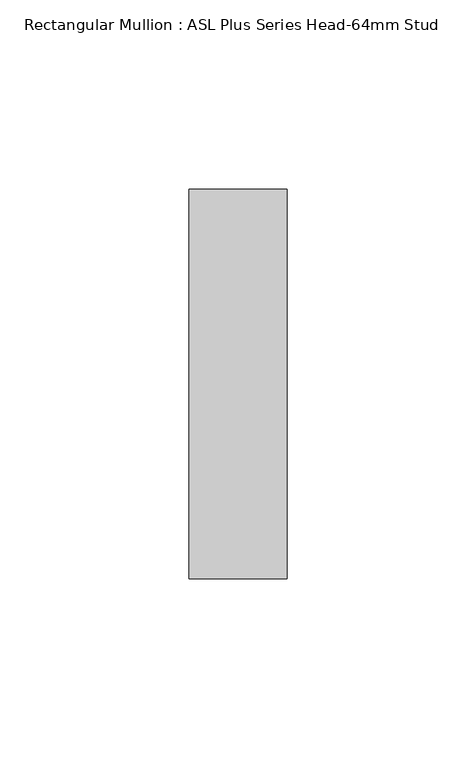
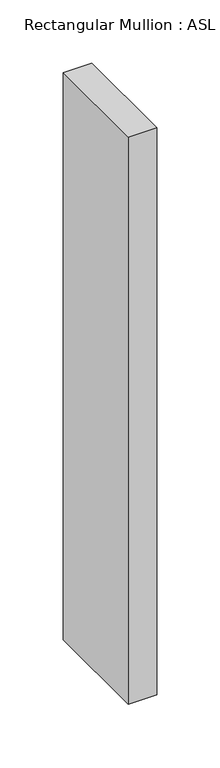
"""IFC4 building model written with IfcOpenShell, lengths in millimetres: member geometry, Rectangular Mullion : ASL Plus Series Head-64mm Stud."""

from ifc_helpers import new_model, si_unit, frame, origin, place, context, project, spatial, polyline, outline, extrude, source, transform, mapped, element, save


def rectangular_mullion_asl_plus_series_head_64mm_stud_51872065(model_context):
    return source(origin(), model_context, "Body", "SweptSolid", [
        extrude(outline(polyline([(0.0, 51.5), (0.0, -51.5), (-26.0, -51.5), (-26.0, 51.5), (0.0, 51.5)])), frame((0.0, 0.0, -548.0), z_axis=(0.0, 0.0, 1.0), x_axis=(1.0, 0.0, 0.0)), (0.0, 0.0, 1.0), 548.0),
    ])


if __name__ == "__main__":
    model = new_model("IFC4")
    model_context = context("Model", 3, world=origin())
    ifc_project = project(units=[si_unit("LENGTHUNIT", "METRE", prefix="MILLI")], contexts=[model_context])
    site = spatial("IfcSite", under=ifc_project)
    building = spatial("IfcBuilding", under=site)
    placement = place(None, origin())
    rectangular_mullion_asl_plus_series_head_64mm_stud_shape = rectangular_mullion_asl_plus_series_head_64mm_stud_51872065(model_context)
    element("IfcMember", 1, ObjectType="Rectangular Mullion : ASL Plus Series Head-64mm Stud", at=placement, inside=building, context=model_context, shape_type="MappedRepresentation", body=[
        mapped(rectangular_mullion_asl_plus_series_head_64mm_stud_shape, transform((0.0, 0.0, 0.0), x_axis=(1.0, 0.0, 0.0), y_axis=(0.0, 1.0, 0.0), z_axis=(0.0, 0.0, 1.0))),
    ])
    save(model, "model.ifc")
